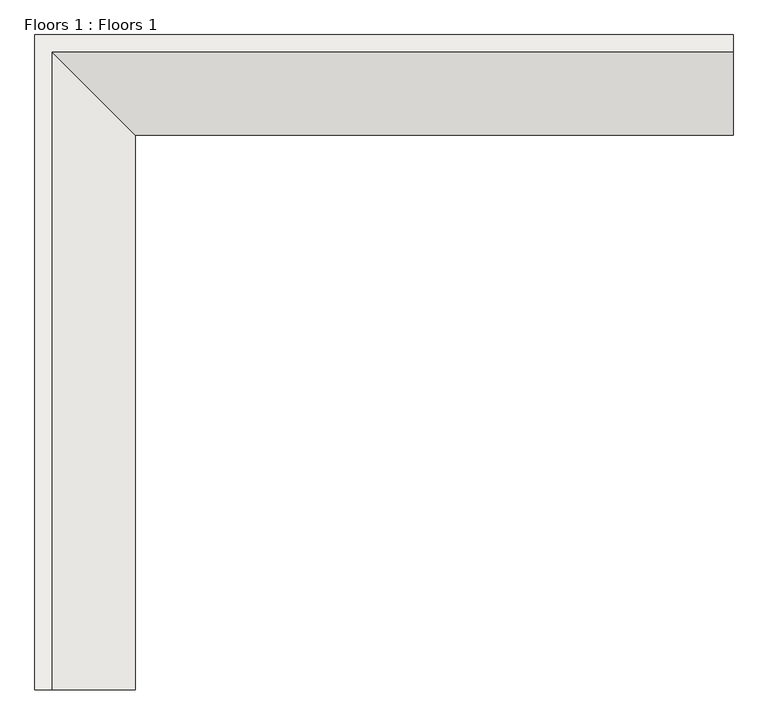
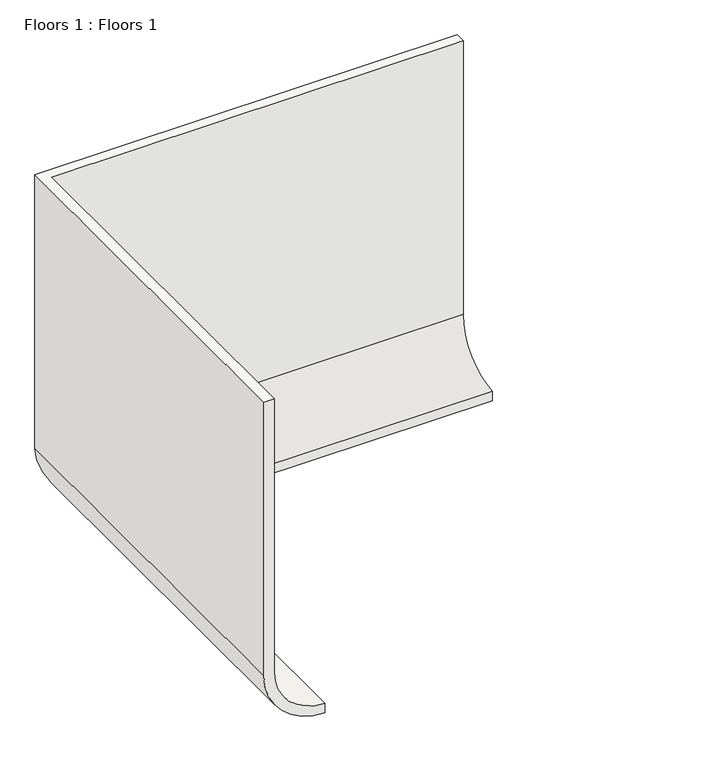
"""IFC4 building model written with IfcOpenShell, lengths in millimetres: slab geometry, Floors 1 : Floors 1."""

from ifc_helpers import new_model, si_unit, frame, origin, place, context, project, spatial, polyline, circle_curve, ellipse_curve, source, transform, mapped, element, save
from ifc_brep_helpers import plane_surface, cylinder_surface, revolved_surface, advanced_brep


def floors_1_floors_1_3cd0b7ff(model_context):
    return source(origin(), model_context, "Body", "AdvancedBrep", [
        advanced_brep(
        [(4773.5667743, 7621.111522, 0.0), (4773.5667743, 7621.111522, -304.8), (4773.5667743, 9414.7130833, 1488.8015613), (4773.5667743, 9414.7130833, 10024.4142762), (4773.5667743, 9109.9130833, 10024.4142762), (4773.5667743, 9109.9130833, 1488.8015613), (-5894.4332257, 7621.111522, 0.0), (-5894.4332257, 7621.111522, -304.8), (-7688.0347871, 9414.7130833, 1488.8015613), (-7688.0347871, 9414.7130833, 10024.4142762), (-7688.0347871, -2284.888478, 10024.4142762), (-7383.2347871, -2284.888478, 10024.4142762), (-7383.2347871, 9109.9130833, 10024.4142762), (-7383.2347871, 9109.9130833, 1488.8015613), (-5894.4332257, -2284.888478, 0.0), (-7383.2347871, -2284.888478, 1488.8015613), (-7688.0347871, -2284.888478, 1488.8015613), (-5894.4332257, -2284.888478, -304.8)],
        [
            (0, 1),
            (1, 2, circle_curve(frame((4773.5667743, 7621.111522, 1488.8015613), z_axis=(1.0, 0.0, 0.0), x_axis=(0.0, -1.0, 0.0)), 1793.6015613)),
            (2, 3),
            (3, 4),
            (4, 5),
            (5, 0, circle_curve(frame((4773.5667743, 7621.111522, 1488.8015613), z_axis=(-1.0, 0.0, 0.0), x_axis=(0.0, -1.0, 0.0)), 1488.8015613)),
            (0, 6),
            (6, 7),
            (7, 1),
            (7, 8, ellipse_curve(frame((-5894.4332257, 7621.111522, 1488.8015613), z_axis=(0.7071067811865475, 0.7071067811865475, 0.0), x_axis=(0.7071067811865476, -0.7071067811865474, 0.0)), 2536.5356535, 1793.6015613)),
            (8, 2),
            (8, 9),
            (9, 3),
            (9, 10),
            (10, 11),
            (11, 12),
            (12, 4),
            (12, 13),
            (13, 5),
            (13, 6, ellipse_curve(frame((-5894.4332257, 7621.111522, 1488.8015613), z_axis=(-0.7071067811865475, -0.7071067811865475, 0.0), x_axis=(-0.7071067811865476, 0.7071067811865474, 0.0)), 2105.4833597, 1488.8015613)),
            (14, 15, circle_curve(frame((-5894.4332257, -2284.888478, 1488.8015613), z_axis=(0.0, 1.0, 0.0), x_axis=(1.0, 0.0, 0.0)), 1488.8015613)),
            (15, 11),
            (10, 16),
            (16, 17, circle_curve(frame((-5894.4332257, -2284.888478, 1488.8015613), z_axis=(0.0, -1.0, 0.0), x_axis=(1.0, 0.0, 0.0)), 1793.6015613)),
            (17, 14),
            (6, 14),
            (17, 7),
            (16, 8),
            (15, 13),
        ],
        [
            plane_surface(frame((4773.5667743, 7621.111522, 0.0), z_axis=(1.0, 0.0, 0.0), x_axis=(0.0, 0.0, 1.0))),
            plane_surface(frame((4773.5667743, 7621.111522, 0.0), z_axis=(0.0, -1.0, 0.0), x_axis=(-1.0, 0.0, 0.0))),
            cylinder_surface(frame((4773.5667743, 7621.111522, 1488.8015613), z_axis=(1.0, 0.0, 0.0), x_axis=(0.0, -1.0, 0.0)), 1793.6015613),
            plane_surface(frame((4773.5667743, 9414.7130833, 1488.8015613), z_axis=(0.0, 1.0, 0.0), x_axis=(-1.0, 0.0, 0.0))),
            plane_surface(frame((4773.5667743, 9414.7130833, 10024.4142762), z_axis=(0.0, 0.0, 1.0), x_axis=(-1.0, 0.0, 0.0))),
            plane_surface(frame((4773.5667743, 9109.9130833, 10024.4142762), z_axis=(0.0, -1.0, 0.0), x_axis=(-1.0, 0.0, 0.0))),
            revolved_surface(polyline([(-7383.234787099999, 6132.3099607, 1488.8015613), (4773.5667743, 6132.3099607, 1488.8015613)]), (4773.5667743, 7621.111522, 1488.8015613), (-1.0, 0.0, 0.0)),
            plane_surface(frame((-5894.4332257, -2284.888478, 0.0), z_axis=(0.0, -1.0, 0.0), x_axis=(0.0, 0.0, 1.0))),
            plane_surface(frame((-5894.4332257, 7621.111522, 0.0), z_axis=(1.0, 0.0, 0.0), x_axis=(0.0, -1.0, 0.0))),
            cylinder_surface(frame((-5894.4332257, 7621.111522, 1488.8015613), z_axis=(0.0, 1.0, 0.0), x_axis=(1.0, 0.0, 0.0)), 1793.6015613),
            plane_surface(frame((-7688.0347871, 9414.7130833, 1488.8015613), z_axis=(-1.0, 0.0, 0.0), x_axis=(0.0, -1.0, 0.0))),
            plane_surface(frame((-7383.2347871, 9109.9130833, 10024.4142762), z_axis=(1.0, 0.0, 0.0), x_axis=(0.0, -1.0, 0.0))),
            revolved_surface(polyline([(-4405.6316644, -2284.888478, 1488.8015613), (-4405.6316644, 9109.913083319305, 1488.8015613)]), (-5894.4332257, 7621.111522, 1488.8015613), (0.0, -1.0, 0.0)),
        ],
        [
            (0, [[1, 2, 3, 4, 5, 6]]),
            (1, [[-1, 7, 8, 9]]),
            (2, [[-2, -9, 10, 11]]),
            (3, [[-3, -11, 12, 13]]),
            (4, [[-4, -13, 14, 15, 16, 17]]),
            (5, [[-5, -17, 18, 19]]),
            (6, [[-6, -19, 20, -7]]),
            (7, [[21, 22, -15, 23, 24, 25]]),
            (8, [[-8, 26, -25, 27]]),
            (9, [[-10, -27, -24, 28]]),
            (10, [[-12, -28, -23, -14]]),
            (11, [[-18, -16, -22, 29]]),
            (12, [[-20, -29, -21, -26]]),
        ],
    ),
    ])


if __name__ == "__main__":
    model = new_model("IFC4")
    model_context = context("Model", 3, world=origin())
    ifc_project = project(units=[si_unit("LENGTHUNIT", "METRE", prefix="MILLI")], contexts=[model_context])
    site = spatial("IfcSite", under=ifc_project)
    building = spatial("IfcBuilding", under=site)
    placement = place(None, origin())
    floors_1_floors_1_shape = floors_1_floors_1_3cd0b7ff(model_context)
    element("IfcSlab", 1, ObjectType="Floors 1 : Floors 1", at=placement, inside=building, context=model_context, shape_type="MappedRepresentation", body=[
        mapped(floors_1_floors_1_shape, transform((0.0, 0.0, 0.0), x_axis=(1.0, 0.0, 0.0), y_axis=(0.0, 1.0, 0.0), z_axis=(0.0, 0.0, 1.0))),
    ])
    save(model, "model.ifc")
